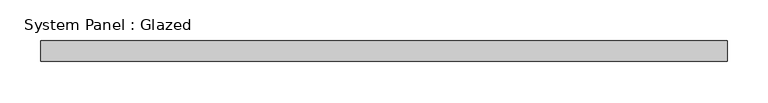
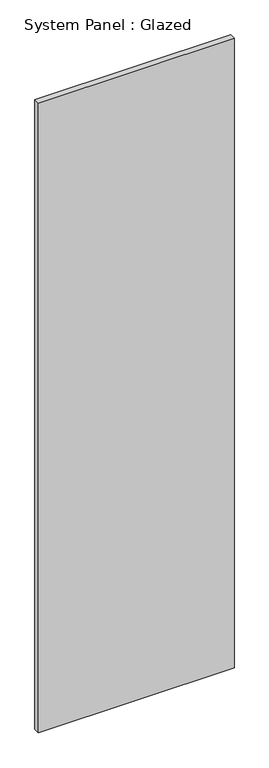
"""IFC4 building model written with IfcOpenShell, lengths in millimetres: plate geometry, System Panel : Glazed."""

from ifc_helpers import new_model, si_unit, origin, origin_with_axes, place, context, project, spatial, polyline, outline, extrude, source, transform, mapped, element, save


def system_panel_glazed_dcce5f19(model_context):
    return source(origin(), model_context, "Body", "SweptSolid", [
        extrude(outline(polyline([(418.7500003, 24.5), (-418.7500003, 24.5), (-418.7500003, 49.5), (418.7500003, 49.5), (418.7500003, 24.5)])), origin_with_axes(), (0.0, 0.0, 1.0), 2850.0),
    ])


if __name__ == "__main__":
    model = new_model("IFC4")
    model_context = context("Model", 3, world=origin())
    ifc_project = project(units=[si_unit("LENGTHUNIT", "METRE", prefix="MILLI")], contexts=[model_context])
    site = spatial("IfcSite", under=ifc_project)
    building = spatial("IfcBuilding", under=site)
    placement = place(None, origin())
    system_panel_glazed_shape = system_panel_glazed_dcce5f19(model_context)
    element("IfcPlate", 1, ObjectType="System Panel : Glazed", at=placement, inside=building, context=model_context, shape_type="MappedRepresentation", body=[
        mapped(system_panel_glazed_shape, transform((0.0, 0.0, 0.0), x_axis=(1.0, 0.0, 0.0), y_axis=(0.0, 1.0, 0.0), z_axis=(0.0, 0.0, 1.0))),
    ])
    save(model, "model.ifc")
